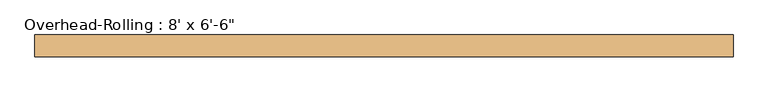
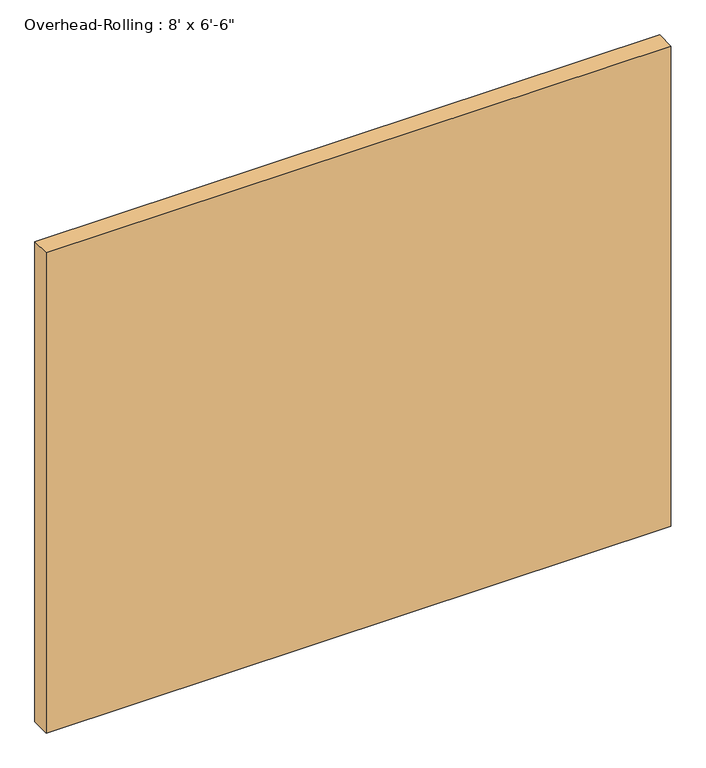
"""IFC4 building model written with IfcOpenShell, lengths in millimetres: door geometry."""

from ifc_helpers import new_model, si_unit, origin, origin_with_axes, place, context, project, spatial, polyline, outline, extrude, source, transform, mapped, element, save


def door_9a01b9d4(model_context):
    return source(origin(), model_context, "Body", "SweptSolid", [
        extrude(outline(polyline([(1219.2, 101.6), (-1219.2, 101.6), (-1219.2, 177.8), (1219.2, 177.8), (1219.2, 101.6)])), origin_with_axes(), (0.0, 0.0, 1.0), 1981.2),
    ])


if __name__ == "__main__":
    model = new_model("IFC4")
    model_context = context("Model", 3, world=origin())
    ifc_project = project(units=[si_unit("LENGTHUNIT", "METRE", prefix="MILLI")], contexts=[model_context])
    site = spatial("IfcSite", under=ifc_project)
    building = spatial("IfcBuilding", under=site)
    placement = place(None, origin())
    door_shape = door_9a01b9d4(model_context)
    element("IfcDoor", 1, ObjectType="Overhead-Rolling : 8' x 6'-6\"", at=placement, inside=building, context=model_context, shape_type="MappedRepresentation", body=[
        mapped(door_shape, transform((0.0, 0.0, 0.0), x_axis=(1.0, 0.0, 0.0), y_axis=(0.0, 1.0, 0.0), z_axis=(0.0, 0.0, 1.0))),
    ])
    save(model, "model.ifc")
